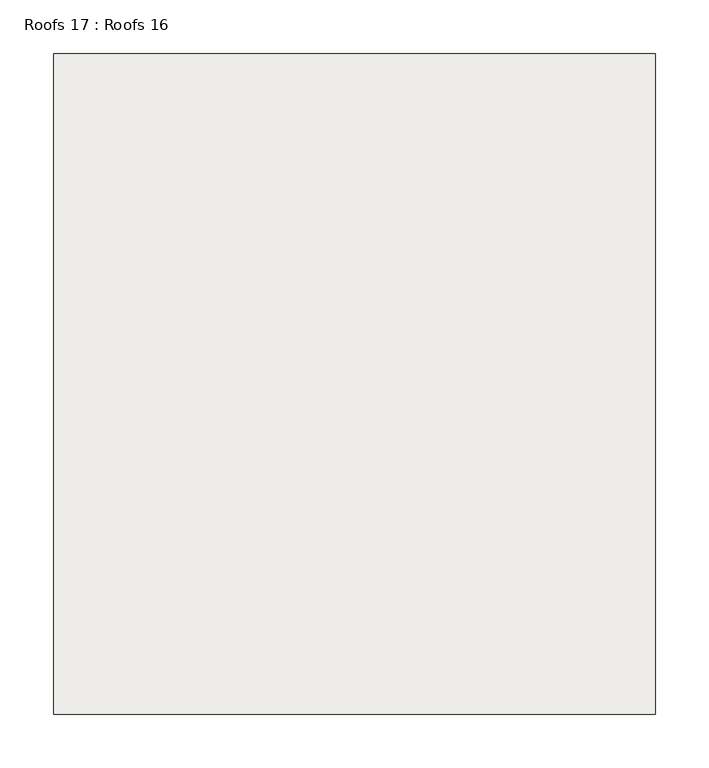
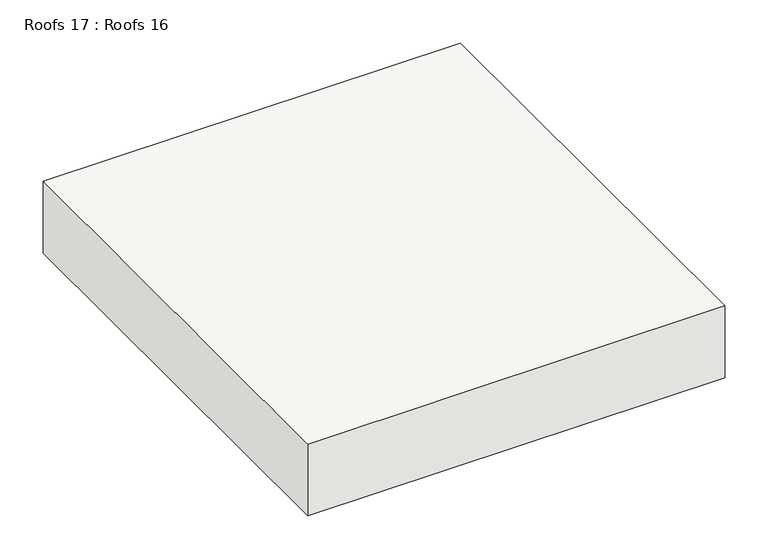
"""IFC4 building model written with IfcOpenShell, lengths in millimetres: roof geometry, Roofs 17 : Roofs 16."""

from ifc_helpers import new_model, si_unit, frame, origin, place, context, project, spatial, polyline, outline, extrude, source, transform, mapped, element, save


def roofs_17_roofs_16_d78f4300(model_context):
    return source(origin(), model_context, "Body", "SweptSolid", [
        extrude(outline(polyline([(-26342.8103773, -5211.5942435), (-25784.0103773, -5211.5942435), (-25784.0103773, -5824.7834235), (-26342.8103773, -5824.7834235), (-26342.8103773, -5211.5942435)])), frame((0.0, 0.0, -1975.0442179), z_axis=(0.0, 0.0, 1.0), x_axis=(1.0, 0.0, 0.0)), (0.0, 0.0, 1.0), 101.6),
    ])


if __name__ == "__main__":
    model = new_model("IFC4")
    model_context = context("Model", 3, world=origin())
    ifc_project = project(units=[si_unit("LENGTHUNIT", "METRE", prefix="MILLI")], contexts=[model_context])
    site = spatial("IfcSite", under=ifc_project)
    building = spatial("IfcBuilding", under=site)
    placement = place(None, origin())
    roofs_17_roofs_16_shape = roofs_17_roofs_16_d78f4300(model_context)
    element("IfcRoof", 1, ObjectType="Roofs 17 : Roofs 16", at=placement, inside=building, context=model_context, shape_type="MappedRepresentation", body=[
        mapped(roofs_17_roofs_16_shape, transform((0.0, 0.0, 0.0), x_axis=(1.0, 0.0, 0.0), y_axis=(0.0, 1.0, 0.0), z_axis=(0.0, 0.0, 1.0))),
    ])
    save(model, "model.ifc")
